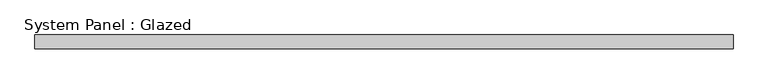
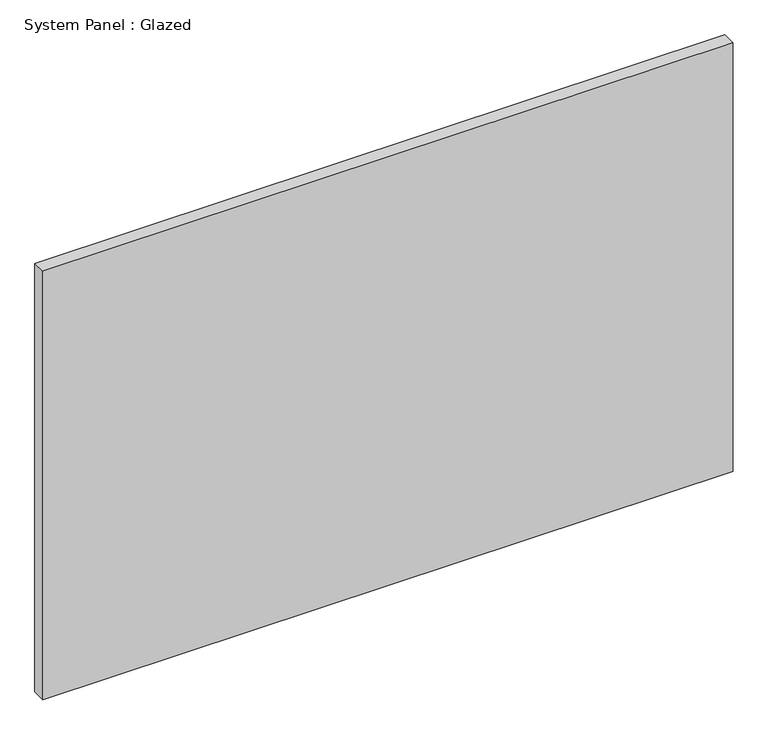
"""IFC4 building model written with IfcOpenShell, lengths in millimetres: plate geometry, System Panel : Glazed."""

from ifc_helpers import new_model, si_unit, origin, origin_with_axes, place, context, project, spatial, polyline, outline, extrude, source, transform, mapped, element, save


def system_panel_glazed_c8dd2953(model_context):
    return source(origin(), model_context, "Body", "SweptSolid", [
        extrude(outline(polyline([(647.7, -44.45), (-647.7, -44.45), (-647.7, -19.05), (647.7, -19.05), (647.7, -44.45)])), origin_with_axes(), (0.0, 0.0, 1.0), 850.9),
    ])


if __name__ == "__main__":
    model = new_model("IFC4")
    model_context = context("Model", 3, world=origin())
    ifc_project = project(units=[si_unit("LENGTHUNIT", "METRE", prefix="MILLI")], contexts=[model_context])
    site = spatial("IfcSite", under=ifc_project)
    building = spatial("IfcBuilding", under=site)
    placement = place(None, origin())
    system_panel_glazed_shape = system_panel_glazed_c8dd2953(model_context)
    element("IfcPlate", 1, ObjectType="System Panel : Glazed", at=placement, inside=building, context=model_context, shape_type="MappedRepresentation", body=[
        mapped(system_panel_glazed_shape, transform((0.0, 0.0, 0.0), x_axis=(1.0, 0.0, 0.0), y_axis=(0.0, 1.0, 0.0), z_axis=(0.0, 0.0, 1.0))),
    ])
    save(model, "model.ifc")
